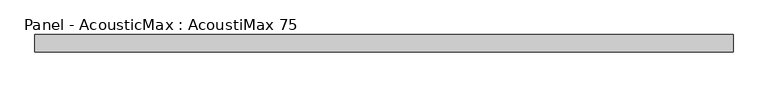
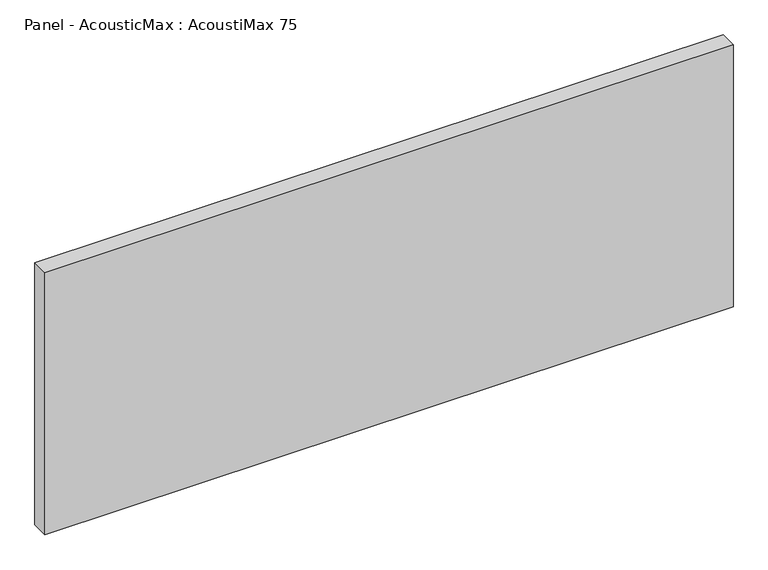
"""IFC4 building model written with IfcOpenShell, lengths in millimetres: plate geometry, Panel - AcousticMax : AcoustiMax 75."""

from ifc_helpers import new_model, si_unit, origin, origin_with_axes, place, context, project, spatial, polyline, outline, extrude, source, transform, mapped, element, save


def panel_acousticmax_acoustimax_75_408d8288(model_context):
    return source(origin(), model_context, "Body", "SweptSolid", [
        extrude(outline(polyline([(1491.0, 37.5), (1491.0, -37.5), (-1490.5, -37.5), (-1490.5, 37.5), (1491.0, 37.5)])), origin_with_axes(), (0.0, 0.0, 1.0), 1200.0),
    ])


if __name__ == "__main__":
    model = new_model("IFC4")
    model_context = context("Model", 3, world=origin())
    ifc_project = project(units=[si_unit("LENGTHUNIT", "METRE", prefix="MILLI")], contexts=[model_context])
    site = spatial("IfcSite", under=ifc_project)
    building = spatial("IfcBuilding", under=site)
    placement = place(None, origin())
    panel_acousticmax_acoustimax_75_shape = panel_acousticmax_acoustimax_75_408d8288(model_context)
    element("IfcPlate", 1, ObjectType="Panel - AcousticMax : AcoustiMax 75", at=placement, inside=building, context=model_context, shape_type="MappedRepresentation", body=[
        mapped(panel_acousticmax_acoustimax_75_shape, transform((0.0, 0.0, 0.0), x_axis=(1.0, 0.0, 0.0), y_axis=(0.0, 1.0, 0.0), z_axis=(0.0, 0.0, 1.0))),
    ])
    save(model, "model.ifc")
